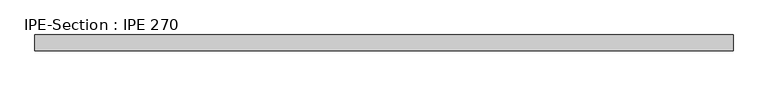
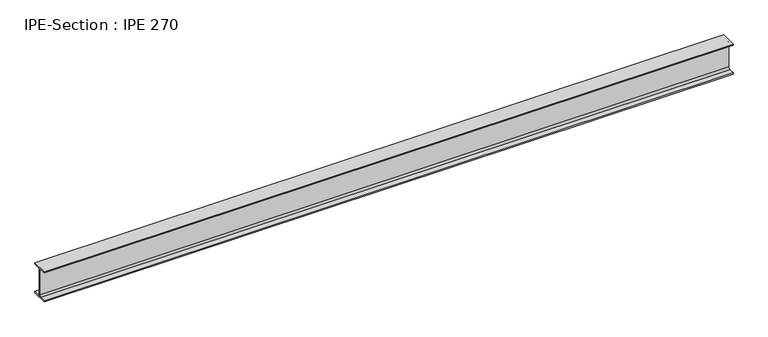
"""IFC4 building model written with IfcOpenShell, lengths in millimetres: beam geometry, IPE-Section : IPE 270."""

from ifc_helpers import new_model, si_unit, point, frame, frame_2d, origin, place, context, project, spatial, polyline, circle_curve, trimmed, segment, composite_curve, outline, extrude, source, transform, mapped, element, save


def ipe_section_ipe_270_51cae660(model_context):
    return source(origin(), model_context, "Body", "SweptSolid", [
        extrude(outline(composite_curve([segment(polyline([(67.5, -124.8), (67.5, -135.0), (-67.5, -135.0), (-67.5, -124.8), (-18.3, -124.8)]), True, "CONTINUOUS"), segment(trimmed(circle_curve(frame_2d((-18.3, -109.8)), 15.0), [point((-18.3, -124.8))], [point((-3.3, -109.8))], True, "CARTESIAN"), True, "CONTINUOUS"), segment(polyline([(-3.3, -109.8), (-3.3, 109.8)]), True, "CONTINUOUS"), segment(trimmed(circle_curve(frame_2d((-18.3, 109.8)), 15.0), [point((-3.3, 109.8))], [point((-18.3, 124.8))], True, "CARTESIAN"), True, "CONTINUOUS"), segment(polyline([(-18.3, 124.8), (-67.5, 124.8), (-67.5, 135.0), (67.5, 135.0), (67.5, 124.8), (18.3, 124.8)]), True, "CONTINUOUS"), segment(trimmed(circle_curve(frame_2d((18.3, 109.8)), 15.0), [point((18.3, 124.8))], [point((3.3, 109.8))], True, "CARTESIAN"), True, "CONTINUOUS"), segment(polyline([(3.3, 109.8), (3.3, -109.8)]), True, "CONTINUOUS"), segment(trimmed(circle_curve(frame_2d((18.3, -109.8)), 15.0), [point((3.3, -109.8))], [point((18.3, -124.8))], True, "CARTESIAN"), True, "CONTINUOUS"), segment(polyline([(18.3, -124.8), (67.5, -124.8)]), True, "CONTINUOUS")], self_intersect=False)), frame((-2927.5568143, 0.0, 0.0), z_axis=(1.0, 0.0, 0.0), x_axis=(0.0, 1.0, 0.0)), (0.0, 0.0, 1.0), 5864.0444563),
    ])


if __name__ == "__main__":
    model = new_model("IFC4")
    model_context = context("Model", 3, world=origin())
    ifc_project = project(units=[si_unit("LENGTHUNIT", "METRE", prefix="MILLI")], contexts=[model_context])
    site = spatial("IfcSite", under=ifc_project)
    building = spatial("IfcBuilding", under=site)
    placement = place(None, origin())
    ipe_section_ipe_270_shape = ipe_section_ipe_270_51cae660(model_context)
    element("IfcBeam", 1, ObjectType="IPE-Section : IPE 270", at=placement, inside=building, context=model_context, shape_type="MappedRepresentation", body=[
        mapped(ipe_section_ipe_270_shape, transform((0.0, 0.0, 0.0), x_axis=(1.0, 0.0, 0.0), y_axis=(0.0, 1.0, 0.0), z_axis=(0.0, 0.0, 1.0))),
    ])
    save(model, "model.ifc")
